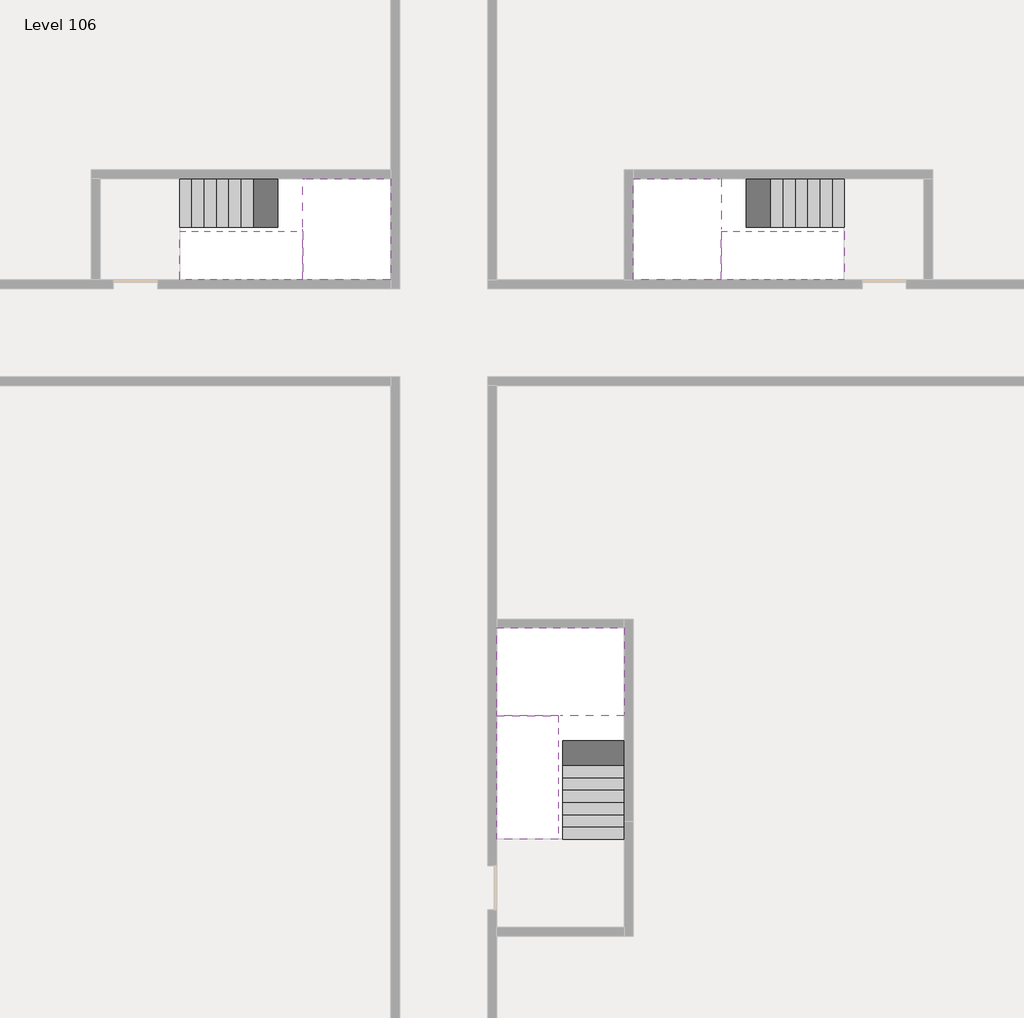
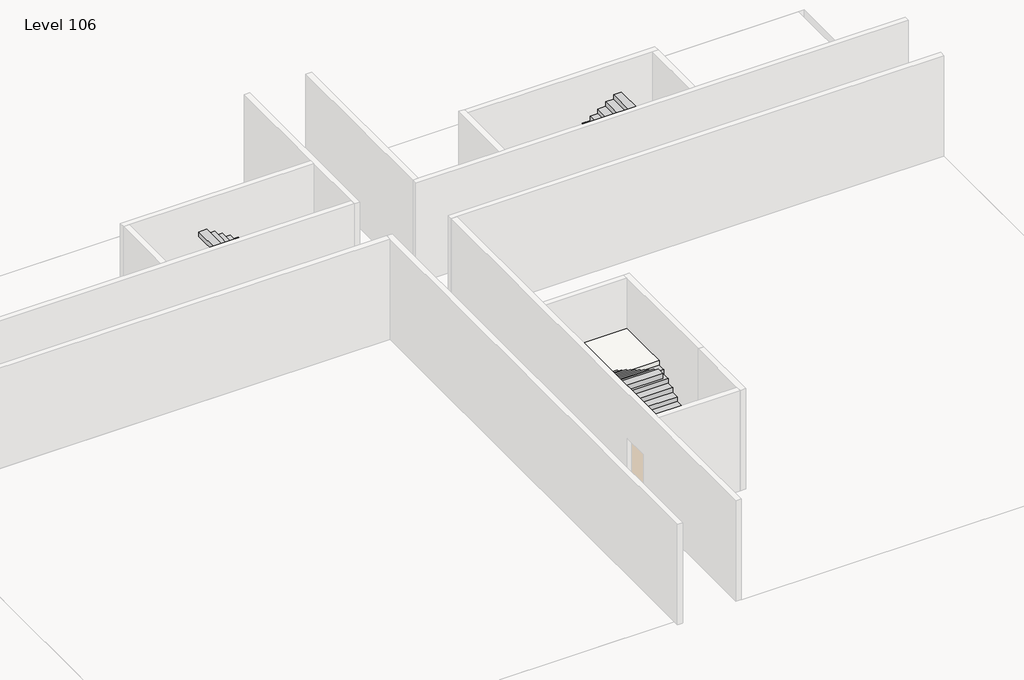
# One storey, part 2 of 2: 6 stair flights, 3 slabs.
"""IFC4 building model written with IfcOpenShell, lengths in millimetres."""

from ifc_helpers import new_model, si_unit, origin, place, context, project, spatial, faceted_brep, element, save

model = new_model("IFC4")

# Units and contexts
model_context = context("Model", 3, world=origin())
ifc_project = project(units=[si_unit("LENGTHUNIT", "METRE", prefix="MILLI")], contexts=[model_context])

# Site, building, storey
site = spatial("IfcSite", under=ifc_project)
building = spatial("IfcBuilding", under=site)
storey = spatial("IfcBuildingStorey", under=building, Name="Level 106", Elevation=399000.0)

# Slabs
placement = place(None, origin())
element("IfcSlab", 1, at=placement, inside=storey, context=model_context, shape_type="Brep", body=[
    faceted_brep([(26890.1058784, -40418.09644, 400900.0), (28290.1058784, -40418.09644, 400900.0), (28290.1058784, -40338.7100038, 400900.0), (28290.1058784, -38418.09644, 400900.0), (25390.1058784, -38418.09644, 400900.0), (25390.1058784, -40217.4828763, 400900.0), (25390.1058784, -40418.09644, 400900.0), (26790.1058784, -40418.09644, 400900.0), (26890.1058784, -40418.09644, 400600.0), (26890.1058784, -40418.09644, 400551.0278478), (28290.1058784, -40418.09644, 400551.0278478), (28290.1058784, -40418.09644, 400727.2727273), (28290.1058784, -40338.7100038, 400600.0), (28290.1058784, -38418.09644, 400600.0), (25390.1058784, -38418.09644, 400600.0), (25390.1058784, -40217.4828763, 400600.0), (25390.1058784, -40418.09644, 400723.7551205), (26790.1058784, -40418.09644, 400723.7551205), (26790.1058784, -40418.09644, 400600.0), (26790.1058784, -40217.4828763, 400600.0), (26890.1058784, -40338.7100038, 400600.0)], [[[0, 1, 2, 3, 4, 5, 6, 7]], [[1, 0, 8, 9, 10, 11]], [[1, 11, 10, 12, 13, 3, 2]], [[4, 3, 13, 14]], [[4, 14, 15, 16, 6, 5]], [[7, 6, 16, 17]], [[0, 7, 17, 18, 8]], [[18, 19, 15, 14, 13, 12, 20, 8]], [[19, 18, 17]], [[20, 12, 10, 9]], [[8, 20, 9]], [[15, 19, 17, 16]]]),
])
element("IfcSlab", 2, at=placement, inside=storey, context=model_context, shape_type="Brep", body=[
    faceted_brep([(20990.1058784, -28218.09644, 400900.0), (20990.1058784, -29318.09644, 400900.0), (20990.1058784, -29418.09644, 400900.0), (20990.1058784, -30518.09644, 400900.0), (21190.7194421, -30518.09644, 400900.0), (22990.1058784, -30518.09644, 400900.0), (22990.1058784, -28218.09644, 400900.0), (21069.4923146, -28218.09644, 400900.0), (20990.1058784, -28218.09644, 400727.2727273), (20990.1058784, -28218.09644, 400551.0278478), (20990.1058784, -29318.09644, 400551.0278478), (20990.1058784, -29318.09644, 400600.0), (20990.1058784, -29418.09644, 400600.0), (20990.1058784, -29418.09644, 400723.7551205), (20990.1058784, -30518.09644, 400723.7551205), (21190.7194421, -30518.09644, 400600.0), (22990.1058784, -30518.09644, 400600.0), (22990.1058784, -28218.09644, 400600.0), (21069.4923146, -28218.09644, 400600.0), (21190.7194421, -29418.09644, 400600.0), (21069.4923146, -29318.09644, 400600.0)], [[[0, 1, 2, 3, 4, 5, 6, 7]], [[1, 0, 8, 9, 10, 11]], [[2, 1, 11, 12, 13]], [[3, 2, 13, 14]], [[3, 14, 15, 16, 5, 4]], [[6, 5, 16, 17]], [[9, 8, 0, 7, 6, 17, 18]], [[19, 12, 11, 20, 18, 17, 16, 15]], [[12, 19, 13]], [[18, 20, 10, 9]], [[20, 11, 10]], [[19, 15, 14, 13]]]),
])
element("IfcSlab", 3, at=placement, inside=storey, context=model_context, shape_type="Brep", body=[
    faceted_brep([(30490.1058784, -29318.09644, 400900.0), (30490.1058784, -28218.09644, 400900.0), (30410.7194421, -28218.09644, 400900.0), (28490.1058784, -28218.09644, 400900.0), (28490.1058784, -30518.09644, 400900.0), (30289.4923146, -30518.09644, 400900.0), (30490.1058784, -30518.09644, 400900.0), (30490.1058784, -29418.09644, 400900.0), (30490.1058784, -29318.09644, 400600.0), (30490.1058784, -29318.09644, 400551.0278478), (30490.1058784, -28218.09644, 400551.0278478), (30490.1058784, -28218.09644, 400727.2727273), (30490.1058784, -29418.09644, 400723.7551205), (30490.1058784, -29418.09644, 400600.0), (30490.1058784, -30518.09644, 400723.7551205), (28490.1058784, -30518.09644, 400600.0), (30289.4923146, -30518.09644, 400600.0), (28490.1058784, -28218.09644, 400600.0), (30410.7194421, -28218.09644, 400600.0), (30289.4923146, -29418.09644, 400600.0), (30410.7194421, -29318.09644, 400600.0)], [[[0, 1, 2, 3, 4, 5, 6, 7]], [[1, 0, 8, 9, 10, 11]], [[0, 7, 12, 13, 8]], [[7, 6, 14, 12]], [[4, 15, 16, 14, 6, 5]], [[4, 3, 17, 15]], [[1, 11, 10, 18, 17, 3, 2]], [[13, 19, 16, 15, 17, 18, 20, 8]], [[20, 18, 10, 9]], [[8, 20, 9]], [[16, 19, 12, 14]], [[19, 13, 12]]]),
])

# Stair flights
element("IfcStairFlight", 4, at=placement, inside=storey, context=model_context, shape_type="Brep", body=[
    faceted_brep([(26890.1058784, -42938.09644, 399172.7272727), (26890.1058784, -43218.09644, 399172.7272727), (28290.1058784, -43218.09644, 399172.7272727), (28290.1058784, -42938.09644, 399172.7272727), (26890.1058784, -42938.09644, 399000.0), (26890.1058784, -43218.09644, 399000.0), (28290.1058784, -43218.09644, 399000.0), (28290.1058784, -42938.09644, 399000.0), (26890.1058784, -42658.09644, 399345.4545455), (26890.1058784, -42938.09644, 399345.4545455), (28290.1058784, -42938.09644, 399345.4545455), (28290.1058784, -42658.09644, 399345.4545455), (26890.1058784, -42658.09644, 399169.209666), (26890.1058784, -42932.3942143, 399000.0), (28290.1058784, -42932.3942143, 399000.0), (28290.1058784, -42658.09644, 399169.209666), (26890.1058784, -42378.09644, 399518.1818182), (26890.1058784, -42658.09644, 399518.1818182), (28290.1058784, -42658.09644, 399518.1818182), (28290.1058784, -42378.09644, 399518.1818182), (26890.1058784, -42378.09644, 399341.9369387), (28290.1058784, -42378.09644, 399341.9369387), (26890.1058784, -42098.09644, 399690.9090909), (26890.1058784, -42378.09644, 399690.9090909), (28290.1058784, -42378.09644, 399690.9090909), (28290.1058784, -42098.09644, 399690.9090909), (26890.1058784, -42098.09644, 399514.6642114), (28290.1058784, -42098.09644, 399514.6642114), (26890.1058784, -41818.09644, 399863.6363636), (26890.1058784, -42098.09644, 399863.6363636), (28290.1058784, -42098.09644, 399863.6363636), (28290.1058784, -41818.09644, 399863.6363636), (26890.1058784, -41818.09644, 399687.3914841), (28290.1058784, -41818.09644, 399687.3914841), (26890.1058784, -41538.09644, 400036.3636364), (26890.1058784, -41818.09644, 400036.3636364), (28290.1058784, -41818.09644, 400036.3636364), (28290.1058784, -41538.09644, 400036.3636364), (26890.1058784, -41538.09644, 399860.1187569), (28290.1058784, -41538.09644, 399860.1187569), (26890.1058784, -41258.09644, 400209.0909091), (26890.1058784, -41538.09644, 400209.0909091), (28290.1058784, -41538.09644, 400209.0909091), (28290.1058784, -41258.09644, 400209.0909091), (26890.1058784, -41258.09644, 400032.8460296), (28290.1058784, -41258.09644, 400032.8460296), (26890.1058784, -40978.09644, 400381.8181818), (26890.1058784, -41258.09644, 400381.8181818), (28290.1058784, -41258.09644, 400381.8181818), (28290.1058784, -40978.09644, 400381.8181818), (26890.1058784, -40978.09644, 400205.5733023), (28290.1058784, -40978.09644, 400205.5733023), (26890.1058784, -40698.09644, 400554.5454545), (26890.1058784, -40978.09644, 400554.5454545), (28290.1058784, -40978.09644, 400554.5454545), (28290.1058784, -40698.09644, 400554.5454545), (26890.1058784, -40698.09644, 400378.3005751), (28290.1058784, -40698.09644, 400378.3005751), (26890.1058784, -40418.09644, 400727.2727273), (26890.1058784, -40698.09644, 400727.2727273), (28290.1058784, -40698.09644, 400727.2727273), (28290.1058784, -40418.09644, 400727.2727273), (26890.1058784, -40418.09644, 400600.0), (26890.1058784, -40418.09644, 400551.0278478), (28290.1058784, -40418.09644, 400551.0278478)], [[[0, 1, 2, 3]], [[1, 0, 4, 5]], [[2, 1, 5, 6]], [[3, 2, 6, 7]], [[8, 9, 10, 11]], [[4, 0, 9, 8, 12, 13]], [[0, 3, 10, 9]], [[3, 7, 14, 15, 11, 10]], [[16, 17, 18, 19]], [[17, 16, 20, 12, 8]], [[8, 11, 18, 17]], [[19, 18, 11, 15, 21]], [[22, 23, 24, 25]], [[23, 22, 26, 20, 16]], [[16, 19, 24, 23]], [[25, 24, 19, 21, 27]], [[28, 29, 30, 31]], [[29, 28, 32, 26, 22]], [[22, 25, 30, 29]], [[31, 30, 25, 27, 33]], [[34, 35, 36, 37]], [[35, 34, 38, 32, 28]], [[28, 31, 36, 35]], [[37, 36, 31, 33, 39]], [[40, 41, 42, 43]], [[41, 40, 44, 38, 34]], [[34, 37, 42, 41]], [[43, 42, 37, 39, 45]], [[46, 47, 48, 49]], [[47, 46, 50, 44, 40]], [[40, 43, 48, 47]], [[49, 48, 43, 45, 51]], [[52, 53, 54, 55]], [[53, 52, 56, 50, 46]], [[46, 49, 54, 53]], [[55, 54, 49, 51, 57]], [[58, 59, 60, 61]], [[59, 58, 62, 63, 56, 52]], [[52, 55, 60, 59]], [[61, 60, 55, 57, 64]], [[58, 61, 64, 63, 62]], [[5, 4, 13, 14, 7, 6]], [[14, 13, 12, 20, 26, 32, 38, 44, 50, 56, 63, 64, 57, 51, 45, 39, 33, 27, 21, 15]]]),
])
element("IfcStairFlight", 5, at=placement, inside=storey, context=model_context, shape_type="Brep", body=[
    faceted_brep([(26790.1058784, -40698.09644, 401072.7272727), (26790.1058784, -40418.09644, 401072.7272727), (25390.1058784, -40418.09644, 401072.7272727), (25390.1058784, -40698.09644, 401072.7272727), (26790.1058784, -40698.09644, 400896.4823932), (26790.1058784, -40418.09644, 400723.7551205), (25390.1058784, -40418.09644, 400723.7551205), (25390.1058784, -40418.09644, 400900.0), (25390.1058784, -40698.09644, 400896.4823932), (26790.1058784, -40978.09644, 401245.4545455), (26790.1058784, -40698.09644, 401245.4545455), (25390.1058784, -40698.09644, 401245.4545455), (25390.1058784, -40978.09644, 401245.4545455), (26790.1058784, -40978.09644, 401069.209666), (25390.1058784, -40978.09644, 401069.209666), (26790.1058784, -41258.09644, 401418.1818182), (26790.1058784, -40978.09644, 401418.1818182), (25390.1058784, -40978.09644, 401418.1818182), (25390.1058784, -41258.09644, 401418.1818182), (26790.1058784, -41258.09644, 401241.9369387), (25390.1058784, -41258.09644, 401241.9369387), (26790.1058784, -41538.09644, 401590.9090909), (26790.1058784, -41258.09644, 401590.9090909), (25390.1058784, -41258.09644, 401590.9090909), (25390.1058784, -41538.09644, 401590.9090909), (26790.1058784, -41538.09644, 401414.6642114), (25390.1058784, -41538.09644, 401414.6642114), (26790.1058784, -41818.09644, 401763.6363636), (26790.1058784, -41538.09644, 401763.6363636), (25390.1058784, -41538.09644, 401763.6363636), (25390.1058784, -41818.09644, 401763.6363636), (26790.1058784, -41818.09644, 401587.3914841), (25390.1058784, -41818.09644, 401587.3914841), (26790.1058784, -42098.09644, 401936.3636364), (26790.1058784, -41818.09644, 401936.3636364), (25390.1058784, -41818.09644, 401936.3636364), (25390.1058784, -42098.09644, 401936.3636364), (26790.1058784, -42098.09644, 401760.1187569), (25390.1058784, -42098.09644, 401760.1187569), (26790.1058784, -42378.09644, 402109.0909091), (26790.1058784, -42098.09644, 402109.0909091), (25390.1058784, -42098.09644, 402109.0909091), (25390.1058784, -42378.09644, 402109.0909091), (26790.1058784, -42378.09644, 401932.8460296), (25390.1058784, -42378.09644, 401932.8460296), (26790.1058784, -42658.09644, 402281.8181818), (26790.1058784, -42378.09644, 402281.8181818), (25390.1058784, -42378.09644, 402281.8181818), (25390.1058784, -42658.09644, 402281.8181818), (26790.1058784, -42658.09644, 402105.5733023), (25390.1058784, -42658.09644, 402105.5733023), (26790.1058784, -42938.09644, 402454.5454545), (26790.1058784, -42658.09644, 402454.5454545), (25390.1058784, -42658.09644, 402454.5454545), (25390.1058784, -42938.09644, 402454.5454545), (26790.1058784, -42938.09644, 402278.3005751), (25390.1058784, -42938.09644, 402278.3005751), (26790.1058784, -43218.09644, 402627.2727273), (26790.1058784, -42938.09644, 402627.2727273), (25390.1058784, -42938.09644, 402627.2727273), (25390.1058784, -43218.09644, 402627.2727273), (26790.1058784, -43218.09644, 402451.0278478), (25390.1058784, -43218.09644, 402451.0278478)], [[[0, 1, 2, 3]], [[1, 0, 4, 5]], [[2, 1, 5, 6, 7]], [[3, 2, 7, 6, 8]], [[9, 10, 11, 12]], [[10, 9, 13, 4, 0]], [[11, 10, 0, 3]], [[12, 11, 3, 8, 14]], [[15, 16, 17, 18]], [[16, 15, 19, 13, 9]], [[17, 16, 9, 12]], [[18, 17, 12, 14, 20]], [[21, 22, 23, 24]], [[22, 21, 25, 19, 15]], [[23, 22, 15, 18]], [[24, 23, 18, 20, 26]], [[27, 28, 29, 30]], [[28, 27, 31, 25, 21]], [[29, 28, 21, 24]], [[30, 29, 24, 26, 32]], [[33, 34, 35, 36]], [[34, 33, 37, 31, 27]], [[35, 34, 27, 30]], [[36, 35, 30, 32, 38]], [[39, 40, 41, 42]], [[40, 39, 43, 37, 33]], [[41, 40, 33, 36]], [[42, 41, 36, 38, 44]], [[45, 46, 47, 48]], [[46, 45, 49, 43, 39]], [[47, 46, 39, 42]], [[48, 47, 42, 44, 50]], [[51, 52, 53, 54]], [[52, 51, 55, 49, 45]], [[53, 52, 45, 48]], [[54, 53, 48, 50, 56]], [[57, 58, 59, 60]], [[58, 57, 61, 55, 51]], [[59, 58, 51, 54]], [[60, 59, 54, 56, 62]], [[57, 60, 62, 61]], [[5, 4, 13, 19, 25, 31, 37, 43, 49, 55, 61, 62, 56, 50, 44, 38, 32, 26, 20, 14, 8, 6]]]),
])
element("IfcStairFlight", 6, at=placement, inside=storey, context=model_context, shape_type="Brep", body=[
    faceted_brep([(18470.1058784, -28218.09644, 399172.7272727), (18190.1058784, -28218.09644, 399172.7272727), (18190.1058784, -29318.09644, 399172.7272727), (18470.1058784, -29318.09644, 399172.7272727), (18470.1058784, -28218.09644, 399000.0), (18190.1058784, -28218.09644, 399000.0), (18190.1058784, -29318.09644, 399000.0), (18470.1058784, -29318.09644, 399000.0), (18750.1058784, -28218.09644, 399345.4545455), (18470.1058784, -28218.09644, 399345.4545455), (18470.1058784, -29318.09644, 399345.4545455), (18750.1058784, -29318.09644, 399345.4545455), (18750.1058784, -28218.09644, 399169.209666), (18475.8081041, -28218.09644, 399000.0), (18475.8081041, -29318.09644, 399000.0), (18750.1058784, -29318.09644, 399169.209666), (19030.1058784, -28218.09644, 399518.1818182), (18750.1058784, -28218.09644, 399518.1818182), (18750.1058784, -29318.09644, 399518.1818182), (19030.1058784, -29318.09644, 399518.1818182), (19030.1058784, -28218.09644, 399341.9369387), (19030.1058784, -29318.09644, 399341.9369387), (19310.1058784, -28218.09644, 399690.9090909), (19030.1058784, -28218.09644, 399690.9090909), (19030.1058784, -29318.09644, 399690.9090909), (19310.1058784, -29318.09644, 399690.9090909), (19310.1058784, -28218.09644, 399514.6642114), (19310.1058784, -29318.09644, 399514.6642114), (19590.1058784, -28218.09644, 399863.6363636), (19310.1058784, -28218.09644, 399863.6363636), (19310.1058784, -29318.09644, 399863.6363636), (19590.1058784, -29318.09644, 399863.6363636), (19590.1058784, -28218.09644, 399687.3914841), (19590.1058784, -29318.09644, 399687.3914841), (19870.1058784, -28218.09644, 400036.3636364), (19590.1058784, -28218.09644, 400036.3636364), (19590.1058784, -29318.09644, 400036.3636364), (19870.1058784, -29318.09644, 400036.3636364), (19870.1058784, -28218.09644, 399860.1187569), (19870.1058784, -29318.09644, 399860.1187569), (20150.1058784, -28218.09644, 400209.0909091), (19870.1058784, -28218.09644, 400209.0909091), (19870.1058784, -29318.09644, 400209.0909091), (20150.1058784, -29318.09644, 400209.0909091), (20150.1058784, -28218.09644, 400032.8460296), (20150.1058784, -29318.09644, 400032.8460296), (20430.1058784, -28218.09644, 400381.8181818), (20150.1058784, -28218.09644, 400381.8181818), (20150.1058784, -29318.09644, 400381.8181818), (20430.1058784, -29318.09644, 400381.8181818), (20430.1058784, -28218.09644, 400205.5733023), (20430.1058784, -29318.09644, 400205.5733023), (20710.1058784, -28218.09644, 400554.5454545), (20430.1058784, -28218.09644, 400554.5454545), (20430.1058784, -29318.09644, 400554.5454545), (20710.1058784, -29318.09644, 400554.5454545), (20710.1058784, -28218.09644, 400378.3005751), (20710.1058784, -29318.09644, 400378.3005751), (20990.1058784, -28218.09644, 400727.2727273), (20710.1058784, -28218.09644, 400727.2727273), (20710.1058784, -29318.09644, 400727.2727273), (20990.1058784, -29318.09644, 400727.2727273), (20990.1058784, -28218.09644, 400551.0278478), (20990.1058784, -29318.09644, 400551.0278478), (20990.1058784, -29318.09644, 400600.0)], [[[0, 1, 2, 3]], [[1, 0, 4, 5]], [[2, 1, 5, 6]], [[3, 2, 6, 7]], [[8, 9, 10, 11]], [[4, 0, 9, 8, 12, 13]], [[0, 3, 10, 9]], [[3, 7, 14, 15, 11, 10]], [[16, 17, 18, 19]], [[17, 16, 20, 12, 8]], [[8, 11, 18, 17]], [[19, 18, 11, 15, 21]], [[22, 23, 24, 25]], [[23, 22, 26, 20, 16]], [[16, 19, 24, 23]], [[25, 24, 19, 21, 27]], [[28, 29, 30, 31]], [[29, 28, 32, 26, 22]], [[22, 25, 30, 29]], [[31, 30, 25, 27, 33]], [[34, 35, 36, 37]], [[35, 34, 38, 32, 28]], [[28, 31, 36, 35]], [[37, 36, 31, 33, 39]], [[40, 41, 42, 43]], [[41, 40, 44, 38, 34]], [[34, 37, 42, 41]], [[43, 42, 37, 39, 45]], [[46, 47, 48, 49]], [[47, 46, 50, 44, 40]], [[40, 43, 48, 47]], [[49, 48, 43, 45, 51]], [[52, 53, 54, 55]], [[53, 52, 56, 50, 46]], [[46, 49, 54, 53]], [[55, 54, 49, 51, 57]], [[58, 59, 60, 61]], [[59, 58, 62, 56, 52]], [[52, 55, 60, 59]], [[61, 60, 55, 57, 63, 64]], [[58, 61, 64, 63, 62]], [[5, 4, 13, 14, 7, 6]], [[14, 13, 12, 20, 26, 32, 38, 44, 50, 56, 62, 63, 57, 51, 45, 39, 33, 27, 21, 15]]]),
])
element("IfcStairFlight", 7, at=placement, inside=storey, context=model_context, shape_type="Brep", body=[
    faceted_brep([(20710.1058784, -30518.09644, 401072.7272727), (20990.1058784, -30518.09644, 401072.7272727), (20990.1058784, -29418.09644, 401072.7272727), (20710.1058784, -29418.09644, 401072.7272727), (20710.1058784, -30518.09644, 400896.4823932), (20990.1058784, -30518.09644, 400723.7551205), (20990.1058784, -30518.09644, 400900.0), (20990.1058784, -29418.09644, 400723.7551205), (20710.1058784, -29418.09644, 400896.4823932), (20430.1058784, -30518.09644, 401245.4545455), (20710.1058784, -30518.09644, 401245.4545455), (20710.1058784, -29418.09644, 401245.4545455), (20430.1058784, -29418.09644, 401245.4545455), (20430.1058784, -30518.09644, 401069.209666), (20430.1058784, -29418.09644, 401069.209666), (20150.1058784, -30518.09644, 401418.1818182), (20430.1058784, -30518.09644, 401418.1818182), (20430.1058784, -29418.09644, 401418.1818182), (20150.1058784, -29418.09644, 401418.1818182), (20150.1058784, -30518.09644, 401241.9369387), (20150.1058784, -29418.09644, 401241.9369387), (19870.1058784, -30518.09644, 401590.9090909), (20150.1058784, -30518.09644, 401590.9090909), (20150.1058784, -29418.09644, 401590.9090909), (19870.1058784, -29418.09644, 401590.9090909), (19870.1058784, -30518.09644, 401414.6642114), (19870.1058784, -29418.09644, 401414.6642114), (19590.1058784, -30518.09644, 401763.6363636), (19870.1058784, -30518.09644, 401763.6363636), (19870.1058784, -29418.09644, 401763.6363636), (19590.1058784, -29418.09644, 401763.6363636), (19590.1058784, -30518.09644, 401587.3914841), (19590.1058784, -29418.09644, 401587.3914841), (19310.1058784, -30518.09644, 401936.3636364), (19590.1058784, -30518.09644, 401936.3636364), (19590.1058784, -29418.09644, 401936.3636364), (19310.1058784, -29418.09644, 401936.3636364), (19310.1058784, -30518.09644, 401760.1187569), (19310.1058784, -29418.09644, 401760.1187569), (19030.1058784, -30518.09644, 402109.0909091), (19310.1058784, -30518.09644, 402109.0909091), (19310.1058784, -29418.09644, 402109.0909091), (19030.1058784, -29418.09644, 402109.0909091), (19030.1058784, -30518.09644, 401932.8460296), (19030.1058784, -29418.09644, 401932.8460296), (18750.1058784, -30518.09644, 402281.8181818), (19030.1058784, -30518.09644, 402281.8181818), (19030.1058784, -29418.09644, 402281.8181818), (18750.1058784, -29418.09644, 402281.8181818), (18750.1058784, -30518.09644, 402105.5733023), (18750.1058784, -29418.09644, 402105.5733023), (18470.1058784, -30518.09644, 402454.5454545), (18750.1058784, -30518.09644, 402454.5454545), (18750.1058784, -29418.09644, 402454.5454545), (18470.1058784, -29418.09644, 402454.5454545), (18470.1058784, -30518.09644, 402278.3005751), (18470.1058784, -29418.09644, 402278.3005751), (18190.1058784, -30518.09644, 402627.2727273), (18470.1058784, -30518.09644, 402627.2727273), (18470.1058784, -29418.09644, 402627.2727273), (18190.1058784, -29418.09644, 402627.2727273), (18190.1058784, -30518.09644, 402451.0278478), (18190.1058784, -29418.09644, 402451.0278478)], [[[0, 1, 2, 3]], [[1, 0, 4, 5, 6]], [[2, 1, 6, 5, 7]], [[3, 2, 7, 8]], [[9, 10, 11, 12]], [[10, 9, 13, 4, 0]], [[11, 10, 0, 3]], [[12, 11, 3, 8, 14]], [[15, 16, 17, 18]], [[16, 15, 19, 13, 9]], [[17, 16, 9, 12]], [[18, 17, 12, 14, 20]], [[21, 22, 23, 24]], [[22, 21, 25, 19, 15]], [[23, 22, 15, 18]], [[24, 23, 18, 20, 26]], [[27, 28, 29, 30]], [[28, 27, 31, 25, 21]], [[29, 28, 21, 24]], [[30, 29, 24, 26, 32]], [[33, 34, 35, 36]], [[34, 33, 37, 31, 27]], [[35, 34, 27, 30]], [[36, 35, 30, 32, 38]], [[39, 40, 41, 42]], [[40, 39, 43, 37, 33]], [[41, 40, 33, 36]], [[42, 41, 36, 38, 44]], [[45, 46, 47, 48]], [[46, 45, 49, 43, 39]], [[47, 46, 39, 42]], [[48, 47, 42, 44, 50]], [[51, 52, 53, 54]], [[52, 51, 55, 49, 45]], [[53, 52, 45, 48]], [[54, 53, 48, 50, 56]], [[57, 58, 59, 60]], [[58, 57, 61, 55, 51]], [[59, 58, 51, 54]], [[60, 59, 54, 56, 62]], [[57, 60, 62, 61]], [[5, 4, 13, 19, 25, 31, 37, 43, 49, 55, 61, 62, 56, 50, 44, 38, 32, 26, 20, 14, 8, 7]]]),
])
element("IfcStairFlight", 8, at=placement, inside=storey, context=model_context, shape_type="Brep", body=[
    faceted_brep([(33010.1058784, -29318.09644, 399172.7272727), (33290.1058784, -29318.09644, 399172.7272727), (33290.1058784, -28218.09644, 399172.7272727), (33010.1058784, -28218.09644, 399172.7272727), (33290.1058784, -28218.09644, 399000.0), (33010.1058784, -28218.09644, 399000.0), (33290.1058784, -29318.09644, 399000.0), (33010.1058784, -29318.09644, 399000.0), (32730.1058784, -29318.09644, 399345.4545455), (33010.1058784, -29318.09644, 399345.4545455), (33010.1058784, -28218.09644, 399345.4545455), (32730.1058784, -28218.09644, 399345.4545455), (33004.4036527, -28218.09644, 399000.0), (32730.1058784, -28218.09644, 399169.209666), (32730.1058784, -29318.09644, 399169.209666), (33004.4036527, -29318.09644, 399000.0), (32450.1058784, -29318.09644, 399518.1818182), (32730.1058784, -29318.09644, 399518.1818182), (32730.1058784, -28218.09644, 399518.1818182), (32450.1058784, -28218.09644, 399518.1818182), (32450.1058784, -28218.09644, 399341.9369387), (32450.1058784, -29318.09644, 399341.9369387), (32170.1058784, -29318.09644, 399690.9090909), (32450.1058784, -29318.09644, 399690.9090909), (32450.1058784, -28218.09644, 399690.9090909), (32170.1058784, -28218.09644, 399690.9090909), (32170.1058784, -28218.09644, 399514.6642114), (32170.1058784, -29318.09644, 399514.6642114), (31890.1058784, -29318.09644, 399863.6363636), (32170.1058784, -29318.09644, 399863.6363636), (32170.1058784, -28218.09644, 399863.6363636), (31890.1058784, -28218.09644, 399863.6363636), (31890.1058784, -28218.09644, 399687.3914841), (31890.1058784, -29318.09644, 399687.3914841), (31610.1058784, -29318.09644, 400036.3636364), (31890.1058784, -29318.09644, 400036.3636364), (31890.1058784, -28218.09644, 400036.3636364), (31610.1058784, -28218.09644, 400036.3636364), (31610.1058784, -28218.09644, 399860.1187569), (31610.1058784, -29318.09644, 399860.1187569), (31330.1058784, -29318.09644, 400209.0909091), (31610.1058784, -29318.09644, 400209.0909091), (31610.1058784, -28218.09644, 400209.0909091), (31330.1058784, -28218.09644, 400209.0909091), (31330.1058784, -28218.09644, 400032.8460296), (31330.1058784, -29318.09644, 400032.8460296), (31050.1058784, -29318.09644, 400381.8181818), (31330.1058784, -29318.09644, 400381.8181818), (31330.1058784, -28218.09644, 400381.8181818), (31050.1058784, -28218.09644, 400381.8181818), (31050.1058784, -28218.09644, 400205.5733023), (31050.1058784, -29318.09644, 400205.5733023), (30770.1058784, -29318.09644, 400554.5454545), (31050.1058784, -29318.09644, 400554.5454545), (31050.1058784, -28218.09644, 400554.5454545), (30770.1058784, -28218.09644, 400554.5454545), (30770.1058784, -28218.09644, 400378.3005751), (30770.1058784, -29318.09644, 400378.3005751), (30490.1058784, -29318.09644, 400727.2727273), (30770.1058784, -29318.09644, 400727.2727273), (30770.1058784, -28218.09644, 400727.2727273), (30490.1058784, -28218.09644, 400727.2727273), (30490.1058784, -28218.09644, 400551.0278478), (30490.1058784, -29318.09644, 400600.0), (30490.1058784, -29318.09644, 400551.0278478)], [[[0, 1, 2, 3]], [[3, 2, 4, 5]], [[2, 1, 6, 4]], [[1, 0, 7, 6]], [[8, 9, 10, 11]], [[3, 5, 12, 13, 11, 10]], [[0, 3, 10, 9]], [[7, 0, 9, 8, 14, 15]], [[16, 17, 18, 19]], [[19, 18, 11, 13, 20]], [[8, 11, 18, 17]], [[17, 16, 21, 14, 8]], [[22, 23, 24, 25]], [[25, 24, 19, 20, 26]], [[16, 19, 24, 23]], [[23, 22, 27, 21, 16]], [[28, 29, 30, 31]], [[31, 30, 25, 26, 32]], [[22, 25, 30, 29]], [[29, 28, 33, 27, 22]], [[34, 35, 36, 37]], [[37, 36, 31, 32, 38]], [[28, 31, 36, 35]], [[35, 34, 39, 33, 28]], [[40, 41, 42, 43]], [[43, 42, 37, 38, 44]], [[34, 37, 42, 41]], [[41, 40, 45, 39, 34]], [[46, 47, 48, 49]], [[49, 48, 43, 44, 50]], [[40, 43, 48, 47]], [[47, 46, 51, 45, 40]], [[52, 53, 54, 55]], [[55, 54, 49, 50, 56]], [[46, 49, 54, 53]], [[53, 52, 57, 51, 46]], [[58, 59, 60, 61]], [[61, 60, 55, 56, 62]], [[52, 55, 60, 59]], [[59, 58, 63, 64, 57, 52]], [[58, 61, 62, 64, 63]], [[6, 7, 15, 12, 5, 4]], [[12, 15, 14, 21, 27, 33, 39, 45, 51, 57, 64, 62, 56, 50, 44, 38, 32, 26, 20, 13]]]),
])
element("IfcStairFlight", 9, at=placement, inside=storey, context=model_context, shape_type="Brep", body=[
    faceted_brep([(30770.1058784, -29418.09644, 401072.7272727), (30490.1058784, -29418.09644, 401072.7272727), (30490.1058784, -30518.09644, 401072.7272727), (30770.1058784, -30518.09644, 401072.7272727), (30490.1058784, -30518.09644, 400900.0), (30490.1058784, -30518.09644, 400723.7551205), (30770.1058784, -30518.09644, 400896.4823932), (30490.1058784, -29418.09644, 400723.7551205), (30770.1058784, -29418.09644, 400896.4823932), (31050.1058784, -29418.09644, 401245.4545455), (30770.1058784, -29418.09644, 401245.4545455), (30770.1058784, -30518.09644, 401245.4545455), (31050.1058784, -30518.09644, 401245.4545455), (31050.1058784, -30518.09644, 401069.209666), (31050.1058784, -29418.09644, 401069.209666), (31330.1058784, -29418.09644, 401418.1818182), (31050.1058784, -29418.09644, 401418.1818182), (31050.1058784, -30518.09644, 401418.1818182), (31330.1058784, -30518.09644, 401418.1818182), (31330.1058784, -30518.09644, 401241.9369387), (31330.1058784, -29418.09644, 401241.9369387), (31610.1058784, -29418.09644, 401590.9090909), (31330.1058784, -29418.09644, 401590.9090909), (31330.1058784, -30518.09644, 401590.9090909), (31610.1058784, -30518.09644, 401590.9090909), (31610.1058784, -30518.09644, 401414.6642114), (31610.1058784, -29418.09644, 401414.6642114), (31890.1058784, -29418.09644, 401763.6363636), (31610.1058784, -29418.09644, 401763.6363636), (31610.1058784, -30518.09644, 401763.6363636), (31890.1058784, -30518.09644, 401763.6363636), (31890.1058784, -30518.09644, 401587.3914841), (31890.1058784, -29418.09644, 401587.3914841), (32170.1058784, -29418.09644, 401936.3636364), (31890.1058784, -29418.09644, 401936.3636364), (31890.1058784, -30518.09644, 401936.3636364), (32170.1058784, -30518.09644, 401936.3636364), (32170.1058784, -30518.09644, 401760.1187569), (32170.1058784, -29418.09644, 401760.1187569), (32450.1058784, -29418.09644, 402109.0909091), (32170.1058784, -29418.09644, 402109.0909091), (32170.1058784, -30518.09644, 402109.0909091), (32450.1058784, -30518.09644, 402109.0909091), (32450.1058784, -30518.09644, 401932.8460296), (32450.1058784, -29418.09644, 401932.8460296), (32730.1058784, -29418.09644, 402281.8181818), (32450.1058784, -29418.09644, 402281.8181818), (32450.1058784, -30518.09644, 402281.8181818), (32730.1058784, -30518.09644, 402281.8181818), (32730.1058784, -30518.09644, 402105.5733023), (32730.1058784, -29418.09644, 402105.5733023), (33010.1058784, -29418.09644, 402454.5454545), (32730.1058784, -29418.09644, 402454.5454545), (32730.1058784, -30518.09644, 402454.5454545), (33010.1058784, -30518.09644, 402454.5454545), (33010.1058784, -30518.09644, 402278.3005751), (33010.1058784, -29418.09644, 402278.3005751), (33290.1058784, -29418.09644, 402627.2727273), (33010.1058784, -29418.09644, 402627.2727273), (33010.1058784, -30518.09644, 402627.2727273), (33290.1058784, -30518.09644, 402627.2727273), (33290.1058784, -30518.09644, 402451.0278478), (33290.1058784, -29418.09644, 402451.0278478)], [[[0, 1, 2, 3]], [[3, 2, 4, 5, 6]], [[2, 1, 7, 5, 4]], [[1, 0, 8, 7]], [[9, 10, 11, 12]], [[12, 11, 3, 6, 13]], [[11, 10, 0, 3]], [[10, 9, 14, 8, 0]], [[15, 16, 17, 18]], [[18, 17, 12, 13, 19]], [[17, 16, 9, 12]], [[16, 15, 20, 14, 9]], [[21, 22, 23, 24]], [[24, 23, 18, 19, 25]], [[23, 22, 15, 18]], [[22, 21, 26, 20, 15]], [[27, 28, 29, 30]], [[30, 29, 24, 25, 31]], [[29, 28, 21, 24]], [[28, 27, 32, 26, 21]], [[33, 34, 35, 36]], [[36, 35, 30, 31, 37]], [[35, 34, 27, 30]], [[34, 33, 38, 32, 27]], [[39, 40, 41, 42]], [[42, 41, 36, 37, 43]], [[41, 40, 33, 36]], [[40, 39, 44, 38, 33]], [[45, 46, 47, 48]], [[48, 47, 42, 43, 49]], [[47, 46, 39, 42]], [[46, 45, 50, 44, 39]], [[51, 52, 53, 54]], [[54, 53, 48, 49, 55]], [[53, 52, 45, 48]], [[52, 51, 56, 50, 45]], [[57, 58, 59, 60]], [[60, 59, 54, 55, 61]], [[59, 58, 51, 54]], [[58, 57, 62, 56, 51]], [[57, 60, 61, 62]], [[7, 8, 14, 20, 26, 32, 38, 44, 50, 56, 62, 61, 55, 49, 43, 37, 31, 25, 19, 13, 6, 5]]]),
])

save(model, "model.ifc")
